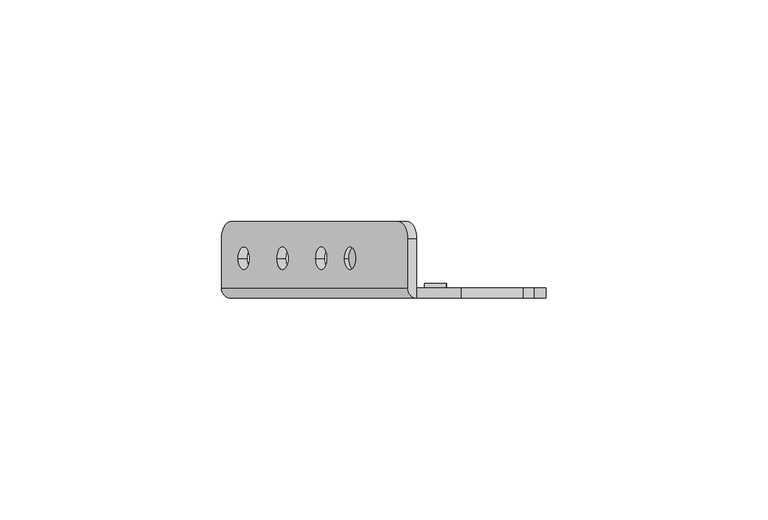
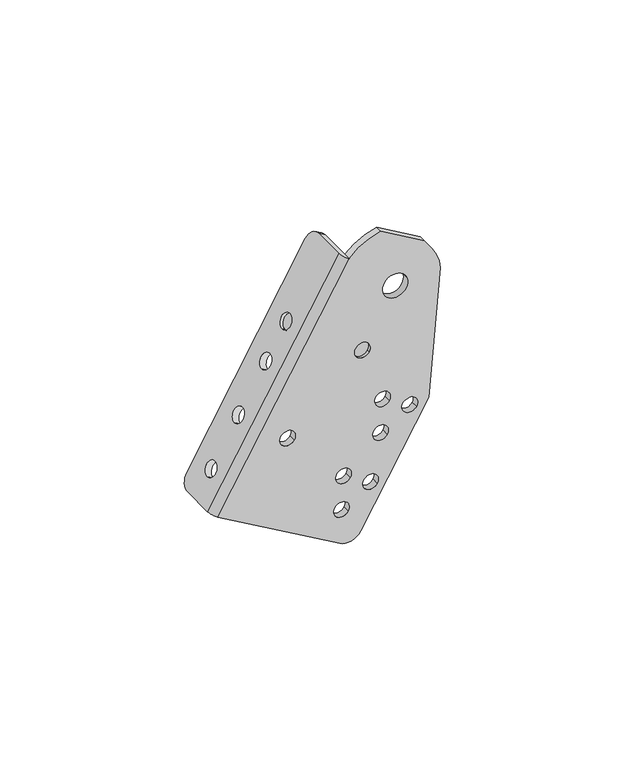
"""IFC4 building model written with IfcOpenShell, lengths in millimetres: proxy geometry."""

from ifc_helpers import new_model, si_unit, frame, origin, place, context, project, spatial, polyline, circle_curve, source, transform, mapped, element, save
from ifc_brep_helpers import plane_surface, cylinder_surface, revolved_surface, advanced_brep


def mechanical_equipment_d9cfe903(model_context):
    return source(origin(), model_context, "Body", "AdvancedBrep", [
        advanced_brep(
        [(-39.369972, 12.2834534, -7.0330461), (-41.3532446, 16.2499985, -10.4681749), (-79.3626148, 16.2499985, -76.3023354), (-81.3623665, 12.196215, -79.7660069), (-81.3623665, 1.2499985, -79.7660069), (-39.3623665, 1.2499985, -7.019873), (-77.6123665, 7.953236, -73.2708164), (-75.1123665, 7.953236, -68.9406894), (-68.8623665, 7.953236, -58.1153718), (-66.3623665, 7.953236, -53.7852448), (-60.1123665, 7.953236, -42.9599272), (-57.6123665, 7.953236, -38.6298002), (-53.6123665, 7.9499985, -31.701597), (-51.1123665, 7.9499985, -27.37147), (-79.3705081, 12.196215, -80.9160069), (-77.3707564, 16.1957184, -77.4523354), (-39.3613861, 16.2499985, -11.6181749), (-37.3781136, 12.2834534, -8.1830461), (-37.3705081, 1.2499985, -8.169873), (-79.3705081, 1.2499985, -80.9160069), (-75.6205081, 7.953236, -74.4208164), (-73.1205081, 7.953236, -70.0906894), (-66.8705081, 7.953236, -59.2653718), (-64.3705081, 7.953236, -54.9352448), (-58.1205081, 7.953236, -44.1099272), (-55.6205081, 7.953236, -39.7798002), (-49.1205081, 7.9499985, -28.52147), (-51.6205081, 7.9499985, -32.851597), (-37.3705081, -1.0500015, -8.169873), (-40.3993649, 1.2499985, -103.4160069), (-40.3993649, -1.0500015, -103.4160069), (-79.3705081, -1.0500015, -80.9160069), (-52.7463411, 7.9499985, -32.201597), (-50.2463411, 7.9499985, -27.87147), (-33.5692379, -1.0500015, -101.5858799), (-11.8613028, -1.0500015, -63.9866334), (-8.1493294, -1.0500015, -21.5585827), (-10.7436531, -1.0500015, -14.1419432), (-13.266055, -1.0500015, -10.5395801), (-27.2676818, -1.0500015, -2.4557371), (-18.7576545, -1.0500015, -21.4235254), (-26.4850611, -1.0500015, -23.4940778), (-59.1966753, -1.0500015, -60.8091099), (-54.8665483, -1.0500015, -63.3091099), (-28.7960402, -1.0500015, -58.1536653), (-24.4659132, -1.0500015, -60.6536653), (-20.1357862, -1.0500015, -63.1536653), (-15.8056592, -1.0500015, -65.6536653), (-29.4659132, -1.0500015, -69.3139193), (-25.1357862, -1.0500015, -71.8139193), (-41.2960402, -1.0500015, -79.8043004), (-36.9659132, -1.0500015, -82.3043004), (-32.6357862, -1.0500015, -84.8043004), (-28.3056592, -1.0500015, -87.3043004), (-41.9659132, -1.0500015, -90.9645544), (-37.6357862, -1.0500015, -93.4645544), (-35.2864213, -1.0500015, -39.3953351), (-30.9562943, -1.0500015, -41.8953351), (-27.2676818, 1.2499985, -2.4557371), (-13.266055, 1.2499985, -10.5395801), (-10.7436531, 1.2499985, -14.1419432), (-8.1493294, 1.2499985, -21.5585827), (-11.8613028, 1.2499985, -63.9866334), (-33.5692379, 1.2499985, -101.5858799), (-18.7576545, 1.2499985, -21.4235254), (-26.4850611, 1.2499985, -23.4940778), (-59.1966753, 1.2499985, -60.8091099), (-54.8665483, 1.2499985, -63.3091099), (-28.7960402, 1.2499985, -58.1536653), (-24.4659132, 1.2499985, -60.6536653), (-20.1357862, 1.2499985, -63.1536653), (-15.8056592, 1.2499985, -65.6536653), (-29.4659132, 1.2499985, -69.3139193), (-25.1357862, 1.2499985, -71.8139193), (-41.2960402, 1.2499985, -79.8043004), (-36.9659132, 1.2499985, -82.3043004), (-32.6357862, 1.2499985, -84.8043004), (-28.3056592, 1.2499985, -87.3043004), (-41.9659132, 1.2499985, -90.9645544), (-37.6357862, 1.2499985, -93.4645544), (-30.7065432, 1.2499985, -39.9982874), (-35.2864213, 1.2499985, -39.3953351), (-35.5361723, 1.2499985, -41.2923827), (-30.9562943, 1.2499985, -41.8953351), (-30.7065432, -0.0500015, -39.9982874), (-35.2864213, -0.0500015, -39.3953351), (-35.5361723, -0.0500015, -41.2923827), (-30.9562943, -0.0500015, -41.8953351), (-30.7065432, 2.2499985, -39.9982874), (-35.5361723, 2.2499985, -41.2923827), (-50.7544827, 7.9499985, -33.351597), (-48.2544827, 7.9499985, -29.02147)],
        [
            (0, 1, circle_curve(frame((-41.3532446, 12.2834534, -10.4681749), z_axis=(-0.8660254037844377, 0.0, 0.5000000000000017), x_axis=(-0.5000000000000017, 0.0, -0.8660254037844377)), 3.9665451)),
            (1, 2),
            (2, 3, circle_curve(frame((-79.3626148, 12.196215, -76.3023354), z_axis=(-0.8660254037844377, 0.0, 0.5000000000000017), x_axis=(-0.5000000000000017, 0.0, -0.8660254037844377)), 3.9995034)),
            (3, 4),
            (4, 5),
            (5, 0),
            (6, 7, circle_curve(frame((-76.3623665, 7.953236, -71.1057529), z_axis=(0.8660254037844376, 0.0, -0.5000000000000018), x_axis=(0.5000000000000018, 0.0, 0.8660254037844376)), 2.5)),
            (7, 6, circle_curve(frame((-76.3623665, 7.953236, -71.1057529), z_axis=(0.8660254037844376, 0.0, -0.5000000000000018), x_axis=(0.5000000000000018, 0.0, 0.8660254037844376)), 2.5)),
            (8, 9, circle_curve(frame((-67.6123665, 7.953236, -55.9503083), z_axis=(0.8660254037844376, 0.0, -0.5000000000000018), x_axis=(0.5000000000000018, 0.0, 0.8660254037844376)), 2.5)),
            (9, 8, circle_curve(frame((-67.6123665, 7.953236, -55.9503083), z_axis=(0.8660254037844376, 0.0, -0.5000000000000018), x_axis=(0.5000000000000018, 0.0, 0.8660254037844376)), 2.5)),
            (10, 11, circle_curve(frame((-58.8623665, 7.953236, -40.7948637), z_axis=(0.8660254037844376, 0.0, -0.5000000000000018), x_axis=(0.5000000000000018, 0.0, 0.8660254037844376)), 2.5)),
            (11, 10, circle_curve(frame((-58.8623665, 7.953236, -40.7948637), z_axis=(0.8660254037844376, 0.0, -0.5000000000000018), x_axis=(0.5000000000000018, 0.0, 0.8660254037844376)), 2.5)),
            (12, 13, circle_curve(frame((-52.3623665, 7.9499985, -29.5365335), z_axis=(0.8660254037844376, 0.0, -0.5000000000000018), x_axis=(0.5000000000000018, 0.0, 0.8660254037844376)), 2.5)),
            (13, 12, circle_curve(frame((-52.3623665, 7.9499985, -29.5365335), z_axis=(0.8660254037844376, 0.0, -0.5000000000000018), x_axis=(0.5000000000000018, 0.0, 0.8660254037844376)), 2.5)),
            (14, 15, circle_curve(frame((-77.3707564, 12.196215, -77.4523354), z_axis=(0.8660254037844377, 0.0, -0.5000000000000017), x_axis=(-0.5000000000000017, 0.0, -0.8660254037844377)), 3.9995034)),
            (15, 16),
            (16, 17, circle_curve(frame((-39.3613861, 12.2834534, -11.6181749), z_axis=(0.8660254037844377, 0.0, -0.5000000000000017), x_axis=(-0.5000000000000017, 0.0, -0.8660254037844377)), 3.9665451)),
            (17, 18),
            (18, 19),
            (19, 14),
            (20, 21, circle_curve(frame((-74.3705081, 7.953236, -72.2557529), z_axis=(-0.8660254037844376, 0.0, 0.5000000000000018), x_axis=(0.5000000000000018, 0.0, 0.8660254037844376)), 2.5)),
            (21, 20, circle_curve(frame((-74.3705081, 7.953236, -72.2557529), z_axis=(-0.8660254037844376, 0.0, 0.5000000000000018), x_axis=(0.5000000000000018, 0.0, 0.8660254037844376)), 2.5)),
            (22, 23, circle_curve(frame((-65.6205081, 7.953236, -57.1003083), z_axis=(-0.8660254037844376, 0.0, 0.5000000000000018), x_axis=(0.5000000000000018, 0.0, 0.8660254037844376)), 2.5)),
            (23, 22, circle_curve(frame((-65.6205081, 7.953236, -57.1003083), z_axis=(-0.8660254037844376, 0.0, 0.5000000000000018), x_axis=(0.5000000000000018, 0.0, 0.8660254037844376)), 2.5)),
            (24, 25, circle_curve(frame((-56.8705081, 7.953236, -41.9448637), z_axis=(-0.8660254037844376, 0.0, 0.5000000000000018), x_axis=(0.5000000000000018, 0.0, 0.8660254037844376)), 2.5)),
            (25, 24, circle_curve(frame((-56.8705081, 7.953236, -41.9448637), z_axis=(-0.8660254037844376, 0.0, 0.5000000000000018), x_axis=(0.5000000000000018, 0.0, 0.8660254037844376)), 2.5)),
            (26, 27, circle_curve(frame((-50.3705081, 7.9499985, -30.6865335), z_axis=(-0.8660254037844382, 0.0, 0.5000000000000009), x_axis=(0.5000000000000009, 0.0, 0.8660254037844382)), 2.5)),
            (27, 26, circle_curve(frame((-50.3705081, 7.9499985, -30.6865335), z_axis=(-0.8660254037844382, 0.0, 0.5000000000000009), x_axis=(0.5000000000000009, 0.0, 0.8660254037844382)), 2.5)),
            (17, 0),
            (5, 28, circle_curve(frame((-37.3705081, 1.2499985, -8.169873), z_axis=(0.5000000000000017, 0.0, 0.8660254037844377), x_axis=(0.0, -1.0, 0.0)), 2.3)),
            (28, 18),
            (16, 1),
            (15, 2),
            (14, 3),
            (19, 29),
            (29, 30),
            (30, 31),
            (31, 4, circle_curve(frame((-79.3705081, 1.2499985, -80.9160069), z_axis=(-0.5000000000000017, 0.0, -0.8660254037844377), x_axis=(0.0, -1.0, 0.0)), 2.3)),
            (6, 20),
            (21, 7),
            (8, 22),
            (23, 9),
            (10, 24),
            (25, 11),
            (12, 32),
            (32, 33, circle_curve(frame((-51.4963411, 7.9499985, -30.0365335), z_axis=(0.8660254037844376, 0.0, -0.5000000000000018), x_axis=(0.5000000000000018, 0.0, 0.8660254037844376)), 2.5)),
            (33, 13),
            (33, 32, circle_curve(frame((-51.4963411, 7.9499985, -30.0365335), z_axis=(0.8660254037844376, 0.0, -0.5000000000000018), x_axis=(0.5000000000000018, 0.0, 0.8660254037844376)), 2.5)),
            (30, 34, circle_curve(frame((-37.8993649, -1.0500015, -99.0858799), z_axis=(0.0, -1.0, 0.0), x_axis=(0.9659258262890692, 0.0, 0.25881904510251774)), 5.0)),
            (34, 35),
            (35, 36),
            (36, 37, circle_curve(frame((-22.6213578, -1.0500015, -22.4588016), z_axis=(0.0, -1.0, 0.0), x_axis=(0.9659258262890692, 0.0, 0.25881904510251774)), 14.5)),
            (37, 38),
            (38, 39),
            (39, 28, circle_curve(frame((-22.6213578, -1.0500015, -22.4588016), z_axis=(0.0, -1.0, 0.0), x_axis=(0.9659258262890692, 0.0, 0.25881904510251774)), 20.5356012)),
            (28, 31),
            (40, 41, circle_curve(frame((-22.6213578, -1.0500015, -22.4588016), z_axis=(0.0, 1.0, 0.0), x_axis=(0.9659258262890692, 0.0, 0.25881904510251774)), 4.0)),
            (41, 40, circle_curve(frame((-22.6213578, -1.0500015, -22.4588016), z_axis=(0.0, 1.0, 0.0), x_axis=(0.9659258262890692, 0.0, 0.25881904510251774)), 4.0)),
            (42, 43, circle_curve(frame((-57.0316118, -1.0500015, -62.0591099), z_axis=(0.0, 1.0, 0.0), x_axis=(0.8660254037844382, 0.0, -0.5000000000000009)), 2.5)),
            (43, 42, circle_curve(frame((-57.0316118, -1.0500015, -62.0591099), z_axis=(0.0, 1.0, 0.0), x_axis=(0.8660254037844382, 0.0, -0.5000000000000009)), 2.5)),
            (44, 45, circle_curve(frame((-26.6309767, -1.0500015, -59.4036653), z_axis=(0.0, 1.0, 0.0), x_axis=(0.8660254037844382, 0.0, -0.5000000000000009)), 2.5)),
            (45, 44, circle_curve(frame((-26.6309767, -1.0500015, -59.4036653), z_axis=(0.0, 1.0, 0.0), x_axis=(0.8660254037844382, 0.0, -0.5000000000000009)), 2.5)),
            (46, 47, circle_curve(frame((-17.9707227, -1.0500015, -64.4036653), z_axis=(0.0, 1.0, 0.0), x_axis=(0.8660254037844382, 0.0, -0.5000000000000009)), 2.5)),
            (47, 46, circle_curve(frame((-17.9707227, -1.0500015, -64.4036653), z_axis=(0.0, 1.0, 0.0), x_axis=(0.8660254037844382, 0.0, -0.5000000000000009)), 2.5)),
            (48, 49, circle_curve(frame((-27.3008497, -1.0500015, -70.5639193), z_axis=(0.0, 1.0, 0.0), x_axis=(0.8660254037844382, 0.0, -0.5000000000000009)), 2.5)),
            (49, 48, circle_curve(frame((-27.3008497, -1.0500015, -70.5639193), z_axis=(0.0, 1.0, 0.0), x_axis=(0.8660254037844382, 0.0, -0.5000000000000009)), 2.5)),
            (50, 51, circle_curve(frame((-39.1309767, -1.0500015, -81.0543004), z_axis=(0.0, 1.0, 0.0), x_axis=(0.8660254037844382, 0.0, -0.5000000000000009)), 2.5)),
            (51, 50, circle_curve(frame((-39.1309767, -1.0500015, -81.0543004), z_axis=(0.0, 1.0, 0.0), x_axis=(0.8660254037844382, 0.0, -0.5000000000000009)), 2.5)),
            (52, 53, circle_curve(frame((-30.4707227, -1.0500015, -86.0543004), z_axis=(0.0, 1.0, 0.0), x_axis=(0.8660254037844382, 0.0, -0.5000000000000009)), 2.5)),
            (53, 52, circle_curve(frame((-30.4707227, -1.0500015, -86.0543004), z_axis=(0.0, 1.0, 0.0), x_axis=(0.8660254037844382, 0.0, -0.5000000000000009)), 2.5)),
            (54, 55, circle_curve(frame((-39.8008497, -1.0500015, -92.2145544), z_axis=(0.0, 1.0, 0.0), x_axis=(0.8660254037844382, 0.0, -0.5000000000000009)), 2.5)),
            (55, 54, circle_curve(frame((-39.8008497, -1.0500015, -92.2145544), z_axis=(0.0, 1.0, 0.0), x_axis=(0.8660254037844382, 0.0, -0.5000000000000009)), 2.5)),
            (56, 57, circle_curve(frame((-33.1213578, -1.0500015, -40.6453351), z_axis=(0.0, 1.0, 0.0), x_axis=(0.8660254037844382, 0.0, -0.5000000000000009)), 2.5)),
            (57, 56, circle_curve(frame((-33.1213578, -1.0500015, -40.6453351), z_axis=(0.0, 1.0, 0.0), x_axis=(0.8660254037844382, 0.0, -0.5000000000000009)), 2.5)),
            (18, 58, circle_curve(frame((-22.6213578, 1.2499985, -22.4588016), z_axis=(0.0, 1.0, 0.0), x_axis=(0.9659258262890692, 0.0, 0.25881904510251774)), 20.5356012)),
            (58, 59),
            (59, 60),
            (60, 61, circle_curve(frame((-22.6213578, 1.2499985, -22.4588016), z_axis=(0.0, 1.0, 0.0), x_axis=(0.9659258262890692, 0.0, 0.25881904510251774)), 14.5)),
            (61, 62),
            (62, 63),
            (63, 29, circle_curve(frame((-37.8993649, 1.2499985, -99.0858799), z_axis=(0.0, 1.0, 0.0), x_axis=(0.9659258262890692, 0.0, 0.25881904510251774)), 5.0)),
            (64, 65, circle_curve(frame((-22.6213578, 1.2499985, -22.4588016), z_axis=(0.0, -1.0, 0.0), x_axis=(0.9659258262890692, 0.0, 0.25881904510251774)), 4.0)),
            (65, 64, circle_curve(frame((-22.6213578, 1.2499985, -22.4588016), z_axis=(0.0, -1.0, 0.0), x_axis=(0.9659258262890692, 0.0, 0.25881904510251774)), 4.0)),
            (66, 67, circle_curve(frame((-57.0316118, 1.2499985, -62.0591099), z_axis=(0.0, -1.0, 0.0), x_axis=(0.8660254037844382, 0.0, -0.5000000000000009)), 2.5)),
            (67, 66, circle_curve(frame((-57.0316118, 1.2499985, -62.0591099), z_axis=(0.0, -1.0, 0.0), x_axis=(0.8660254037844382, 0.0, -0.5000000000000009)), 2.5)),
            (68, 69, circle_curve(frame((-26.6309767, 1.2499985, -59.4036653), z_axis=(0.0, -1.0, 0.0), x_axis=(0.8660254037844382, 0.0, -0.5000000000000009)), 2.5)),
            (69, 68, circle_curve(frame((-26.6309767, 1.2499985, -59.4036653), z_axis=(0.0, -1.0, 0.0), x_axis=(0.8660254037844382, 0.0, -0.5000000000000009)), 2.5)),
            (70, 71, circle_curve(frame((-17.9707227, 1.2499985, -64.4036653), z_axis=(0.0, -1.0, 0.0), x_axis=(0.8660254037844382, 0.0, -0.5000000000000009)), 2.5)),
            (71, 70, circle_curve(frame((-17.9707227, 1.2499985, -64.4036653), z_axis=(0.0, -1.0, 0.0), x_axis=(0.8660254037844382, 0.0, -0.5000000000000009)), 2.5)),
            (72, 73, circle_curve(frame((-27.3008497, 1.2499985, -70.5639193), z_axis=(0.0, -1.0, 0.0), x_axis=(0.8660254037844382, 0.0, -0.5000000000000009)), 2.5)),
            (73, 72, circle_curve(frame((-27.3008497, 1.2499985, -70.5639193), z_axis=(0.0, -1.0, 0.0), x_axis=(0.8660254037844382, 0.0, -0.5000000000000009)), 2.5)),
            (74, 75, circle_curve(frame((-39.1309767, 1.2499985, -81.0543004), z_axis=(0.0, -1.0, 0.0), x_axis=(0.8660254037844382, 0.0, -0.5000000000000009)), 2.5)),
            (75, 74, circle_curve(frame((-39.1309767, 1.2499985, -81.0543004), z_axis=(0.0, -1.0, 0.0), x_axis=(0.8660254037844382, 0.0, -0.5000000000000009)), 2.5)),
            (76, 77, circle_curve(frame((-30.4707227, 1.2499985, -86.0543004), z_axis=(0.0, -1.0, 0.0), x_axis=(0.8660254037844382, 0.0, -0.5000000000000009)), 2.5)),
            (77, 76, circle_curve(frame((-30.4707227, 1.2499985, -86.0543004), z_axis=(0.0, -1.0, 0.0), x_axis=(0.8660254037844382, 0.0, -0.5000000000000009)), 2.5)),
            (78, 79, circle_curve(frame((-39.8008497, 1.2499985, -92.2145544), z_axis=(0.0, -1.0, 0.0), x_axis=(0.8660254037844382, 0.0, -0.5000000000000009)), 2.5)),
            (79, 78, circle_curve(frame((-39.8008497, 1.2499985, -92.2145544), z_axis=(0.0, -1.0, 0.0), x_axis=(0.8660254037844382, 0.0, -0.5000000000000009)), 2.5)),
            (80, 81, circle_curve(frame((-33.1213578, 1.2499985, -40.6453351), z_axis=(0.0, -1.0, 0.0), x_axis=(0.9659258262890692, 0.0, 0.25881904510251774)), 2.5)),
            (81, 82, circle_curve(frame((-33.1213578, 1.2499985, -40.6453351), z_axis=(0.0, -1.0, 0.0), x_axis=(0.9659258262890692, 0.0, 0.25881904510251774)), 2.5)),
            (82, 83, circle_curve(frame((-33.1213578, 1.2499985, -40.6453351), z_axis=(0.0, -1.0, 0.0), x_axis=(0.9659258262890692, 0.0, 0.25881904510251774)), 2.5)),
            (83, 80, circle_curve(frame((-33.1213578, 1.2499985, -40.6453351), z_axis=(0.0, -1.0, 0.0), x_axis=(0.9659258262890692, 0.0, 0.25881904510251774)), 2.5)),
            (63, 34),
            (62, 35),
            (61, 36),
            (60, 37),
            (59, 38),
            (58, 39),
            (40, 64),
            (65, 41),
            (84, 85, circle_curve(frame((-33.1213578, -0.0500015, -40.6453351), z_axis=(0.0, -1.0, 0.0), x_axis=(0.8660254037844382, 0.0, -0.5000000000000009)), 2.5)),
            (85, 86, circle_curve(frame((-33.1213578, -0.0500015, -40.6453351), z_axis=(0.0, -1.0, 0.0), x_axis=(0.8660254037844382, 0.0, -0.5000000000000009)), 2.5)),
            (86, 87, circle_curve(frame((-33.1213578, -0.0500015, -40.6453351), z_axis=(0.0, -1.0, 0.0), x_axis=(0.8660254037844382, 0.0, -0.5000000000000009)), 2.5)),
            (87, 84, circle_curve(frame((-33.1213578, -0.0500015, -40.6453351), z_axis=(0.0, -1.0, 0.0), x_axis=(0.8660254037844382, 0.0, -0.5000000000000009)), 2.5)),
            (88, 89, circle_curve(frame((-33.1213578, 2.2499985, -40.6453351), z_axis=(0.0, 1.0, 0.0), x_axis=(0.9659258262890692, 0.0, 0.25881904510251774)), 2.5)),
            (89, 88, circle_curve(frame((-33.1213578, 2.2499985, -40.6453351), z_axis=(0.0, 1.0, 0.0), x_axis=(0.9659258262890692, 0.0, 0.25881904510251774)), 2.5)),
            (89, 82),
            (80, 88),
            (90, 91, circle_curve(frame((-49.5044827, 7.9499985, -31.1865335), z_axis=(0.8660254037844382, 0.0, -0.5000000000000009), x_axis=(0.5000000000000009, 0.0, 0.8660254037844382)), 2.5)),
            (91, 90, circle_curve(frame((-49.5044827, 7.9499985, -31.1865335), z_axis=(0.8660254037844382, 0.0, -0.5000000000000009), x_axis=(0.5000000000000009, 0.0, 0.8660254037844382)), 2.5)),
            (90, 27),
            (26, 91),
            (42, 66),
            (67, 43),
            (44, 68),
            (69, 45),
            (46, 70),
            (71, 47),
            (48, 72),
            (73, 49),
            (50, 74),
            (75, 51),
            (52, 76),
            (77, 53),
            (54, 78),
            (79, 55),
            (56, 85),
            (87, 57),
        ],
        [
            plane_surface(frame((-39.3623665, -1.0593878, -7.019873), z_axis=(-0.8660254037844376, 0.0, 0.5000000000000018), x_axis=(0.0, 1.0, 0.0))),
            plane_surface(frame((-37.3705081, -1.0593878, -8.169873), z_axis=(0.8660254037844376, 0.0, -0.5000000000000018), x_axis=(0.0, -1.0, 0.0))),
            plane_surface(frame((-39.3623665, -1.0500015, -7.019873), z_axis=(0.5000000000000017, 0.0, 0.8660254037844377), x_axis=(0.8660254037844377, 0.0, -0.5000000000000017))),
            cylinder_surface(frame((-39.3613861, 12.2834534, -11.6181749), z_axis=(-0.8660254037844377, 0.0, 0.5000000000000017), x_axis=(-0.5000000000000017, 0.0, -0.8660254037844377)), 3.9665451),
            plane_surface(frame((-41.3532446, 16.2499985, -10.4681749), z_axis=(0.0, 1.0, 0.0), x_axis=(0.8660254037844377, 0.0, -0.5000000000000017))),
            cylinder_surface(frame((-77.3707564, 12.196215, -77.4523354), z_axis=(-0.8660254037844377, 0.0, 0.5000000000000017), x_axis=(-0.5000000000000017, 0.0, -0.8660254037844377)), 3.9995034),
            plane_surface(frame((-81.3623665, 12.196215, -79.7660069), z_axis=(-0.5000000000000009, 0.0, -0.8660254037844382), x_axis=(0.8660254037844382, 0.0, -0.5000000000000009))),
            revolved_surface(polyline([(-73.12050809590322, 7.953236, -70.09068939290418), (-75.11236651127281, 7.953236, -68.94068940060292)]), (-74.3705081, 7.953236, -72.2557529), (0.8660254037844376, 0.0, -0.5000000000000018)),
            revolved_surface(polyline([(-64.37050809590322, 7.953236, -54.93524479290418), (-66.36236651127281, 7.953236, -53.785244800602925)]), (-65.6205081, 7.953236, -57.1003083), (0.8660254037844376, 0.0, -0.5000000000000018)),
            revolved_surface(polyline([(-55.620508095903226, 7.953236, -39.779800192904176), (-57.61236651127281, 7.953236, -38.62980020060292)]), (-56.8705081, 7.953236, -41.9448637), (0.8660254037844376, 0.0, -0.5000000000000018)),
            revolved_surface(polyline([(-50.246341102133165, 7.9499985, -27.87147000369475), (-51.11236651127281, 7.9499985, -27.371470000602915)]), (-50.3705081, 7.9499985, -30.6865335), (0.8660254037844376, 0.0, -0.5000000000000018)),
            plane_surface(frame((-79.3705081, -1.0500015, -80.9160069), z_axis=(0.0, -1.0, 0.0), x_axis=(-0.5000000000000018, 0.0, -0.8660254037844376))),
            plane_surface(frame((-79.3705081, 1.2499985, -80.9160069), z_axis=(0.0, 1.0, 0.0), x_axis=(0.5000000000000018, 0.0, 0.8660254037844376))),
            cylinder_surface(frame((-37.8993649, 1.2499985, -99.0858799), z_axis=(0.0, -1.0, 0.0), x_axis=(0.9659258262890692, 0.0, 0.25881904510251774)), 5.0),
            plane_surface(frame((-33.5692379, -1.0500015, -101.5858799), z_axis=(0.8660254037844348, 0.0, -0.5000000000000067), x_axis=(0.0, 1.0, 0.0))),
            plane_surface(frame((-11.8613028, -1.0500015, -63.9866334), z_axis=(0.9961946980917455, 0.0, -0.08715574274765797), x_axis=(0.0, 1.0, 0.0))),
            cylinder_surface(frame((-22.6213578, 1.2499985, -22.4588016), z_axis=(0.0, -1.0, 0.0), x_axis=(0.9659258262890692, 0.0, 0.25881904510251774)), 14.5),
            plane_surface(frame((-10.7436531, -1.0500015, -14.1419432), z_axis=(0.8191520442890388, 0.0, 0.5735764363509791), x_axis=(0.0, 1.0, 0.0))),
            plane_surface(frame((-13.266055, -1.0500015, -10.5395801), z_axis=(0.4999999999999984, 0.0, 0.8660254037844396), x_axis=(0.0, 1.0, 0.0))),
            cylinder_surface(frame((-22.6213578, 1.2499985, -22.4588016), z_axis=(0.0, -1.0, 0.0), x_axis=(0.9659258262890692, 0.0, 0.25881904510251774)), 20.5356012),
            revolved_surface(polyline([(-18.75765449484372, 1.2499985, -21.42352541958993), (-18.75765449484372, -1.0500014999999998, -21.42352541958993)]), (-22.6213578, 1.2499985, -22.4588016), (0.0, 1.0, 0.0)),
            plane_surface(frame((-30.7065432, -0.0500015, -39.9982874), z_axis=(0.0, -1.0000000000000002, 0.0), x_axis=(-0.25881904510251774, 0.0, 0.9659258262890692))),
            plane_surface(frame((-30.7065432, 2.2499985, -39.9982874), z_axis=(0.0, 1.0000000000000002, 0.0), x_axis=(0.25881904510251774, 0.0, -0.9659258262890692))),
            cylinder_surface(frame((-33.1213578, 2.2499985, -40.6453351), z_axis=(0.0, -1.0, 0.0), x_axis=(0.9659258262890692, 0.0, 0.25881904510251774)), 2.5),
            plane_surface(frame((-48.2544827, 7.9499985, -29.02147), z_axis=(0.8660254037844382, 0.0, -0.5000000000000009), x_axis=(0.0, -1.0, 0.0))),
            plane_surface(frame((-50.2463411, 7.9499985, -27.87147), z_axis=(-0.8660254037844382, 0.0, 0.5000000000000009), x_axis=(0.0, 1.0, 0.0))),
            cylinder_surface(frame((-51.4963411, 7.9499985, -30.0365335), z_axis=(0.8660254037844382, 0.0, -0.5000000000000009), x_axis=(0.5000000000000009, 0.0, 0.8660254037844382)), 2.5),
            cylinder_surface(frame((-79.3705081, 1.2499985, -80.9160069), z_axis=(0.5000000000000017, 0.0, 0.8660254037844377), x_axis=(0.0, -1.0, 0.0)), 2.3),
            revolved_surface(polyline([(-54.8665482905389, 1.2499985, -63.3091099), (-54.8665482905389, -1.0500014999999998, -63.3091099)]), (-57.0316118, 1.2499985, -62.0591099), (0.0, 1.0, 0.0)),
            revolved_surface(polyline([(-24.465913190538906, 1.2499985, -60.6536653), (-24.465913190538906, -1.0500014999999998, -60.6536653)]), (-26.6309767, 1.2499985, -59.4036653), (0.0, 1.0, 0.0)),
            revolved_surface(polyline([(-15.805659190538904, 1.2499985, -65.6536653), (-15.805659190538904, -1.0500014999999998, -65.6536653)]), (-17.9707227, 1.2499985, -64.4036653), (0.0, 1.0, 0.0)),
            revolved_surface(polyline([(-25.135786190538905, 1.2499985, -71.8139193), (-25.135786190538905, -1.0500014999999998, -71.8139193)]), (-27.3008497, 1.2499985, -70.5639193), (0.0, 1.0, 0.0)),
            revolved_surface(polyline([(-36.9659131905389, 1.2499985, -82.3043004), (-36.9659131905389, -1.0500014999999998, -82.3043004)]), (-39.1309767, 1.2499985, -81.0543004), (0.0, 1.0, 0.0)),
            revolved_surface(polyline([(-28.305659190538904, 1.2499985, -87.3043004), (-28.305659190538904, -1.0500014999999998, -87.3043004)]), (-30.4707227, 1.2499985, -86.0543004), (0.0, 1.0, 0.0)),
            revolved_surface(polyline([(-37.63578619053891, 1.2499985, -93.4645544), (-37.63578619053891, -1.0500014999999998, -93.4645544)]), (-39.8008497, 1.2499985, -92.2145544), (0.0, 1.0, 0.0)),
            revolved_surface(polyline([(-30.956294290538903, -0.05000150000000003, -41.8953351), (-30.956294290538903, -1.0500014999999998, -41.8953351)]), (-33.1213578, 1.2499985, -40.6453351), (0.0, 1.0, 0.0)),
        ],
        [
            (0, [[1, 2, 3, 4, 5, 6], [7, 8], [9, 10], [11, 12], [13, 14]]),
            (1, [[15, 16, 17, 18, 19, 20], [21, 22], [23, 24], [25, 26], [27, 28]]),
            (2, [[29, -6, 30, 31, -18]]),
            (3, [[-1, -29, -17, 32]]),
            (4, [[-2, -32, -16, 33]]),
            (5, [[-3, -33, -15, 34]]),
            (6, [[-34, -20, 35, 36, 37, 38, -4]]),
            (7, [[-7, 39, -22, 40]]),
            (7, [[-8, -40, -21, -39]]),
            (8, [[-9, 41, -24, 42]]),
            (8, [[-10, -42, -23, -41]]),
            (9, [[-11, 43, -26, 44]]),
            (9, [[-12, -44, -25, -43]]),
            (10, [[-13, 45, 46, 47]]),
            (10, [[-14, -47, 48, -45]]),
            (11, [[-37, 49, 50, 51, 52, 53, 54, 55, 56], [57, 58], [59, 60], [61, 62], [63, 64], [65, 66], [67, 68], [69, 70], [71, 72], [73, 74]]),
            (12, [[75, 76, 77, 78, 79, 80, 81, -35, -19], [82, 83], [84, 85], [86, 87], [88, 89], [90, 91], [92, 93], [94, 95], [96, 97], [98, 99, 100, 101]]),
            (13, [[-49, -36, -81, 102]]),
            (14, [[-50, -102, -80, 103]]),
            (15, [[-51, -103, -79, 104]]),
            (16, [[-52, -104, -78, 105]]),
            (17, [[-53, -105, -77, 106]]),
            (18, [[-54, -106, -76, 107]]),
            (19, [[-55, -107, -75, -31]]),
            (20, [[-57, 108, -83, 109]]),
            (20, [[-58, -109, -82, -108]]),
            (21, [[110, 111, 112, 113]]),
            (22, [[114, 115]]),
            (23, [[-115, 116, -99, -98, 117]]),
            (23, [[-114, -117, -101, -100, -116]]),
            (24, [[118, 119]]),
            (25, [[-46, -48]]),
            (26, [[-118, 120, -27, 121]]),
            (26, [[-119, -121, -28, -120]]),
            (27, [[-5, -38, -56, -30]]),
            (28, [[-59, 122, -85, 123]]),
            (28, [[-60, -123, -84, -122]]),
            (29, [[-61, 124, -87, 125]]),
            (29, [[-62, -125, -86, -124]]),
            (30, [[-63, 126, -89, 127]]),
            (30, [[-64, -127, -88, -126]]),
            (31, [[-65, 128, -91, 129]]),
            (31, [[-66, -129, -90, -128]]),
            (32, [[-67, 130, -93, 131]]),
            (32, [[-68, -131, -92, -130]]),
            (33, [[-69, 132, -95, 133]]),
            (33, [[-70, -133, -94, -132]]),
            (34, [[-71, 134, -97, 135]]),
            (34, [[-72, -135, -96, -134]]),
            (35, [[-73, 136, -110, -113, 137]]),
            (35, [[-74, -137, -112, -111, -136]]),
        ],
    ),
    ])


if __name__ == "__main__":
    model = new_model("IFC4")
    model_context = context("Model", 3, world=origin())
    ifc_project = project(units=[si_unit("LENGTHUNIT", "METRE", prefix="MILLI")], contexts=[model_context])
    site = spatial("IfcSite", under=ifc_project)
    building = spatial("IfcBuilding", under=site)
    placement = place(None, origin())
    mechanical_equipment_shape = mechanical_equipment_d9cfe903(model_context)
    element("IfcBuildingElementProxy", 1, Name="Mechanical Equipment", at=placement, inside=building, context=model_context, shape_type="MappedRepresentation", body=[
        mapped(mechanical_equipment_shape, transform((0.0, 0.0, 0.0), x_axis=(1.0, 0.0, 0.0), y_axis=(0.0, 1.0, 0.0), z_axis=(0.0, 0.0, 1.0))),
    ])
    save(model, "model.ifc")
